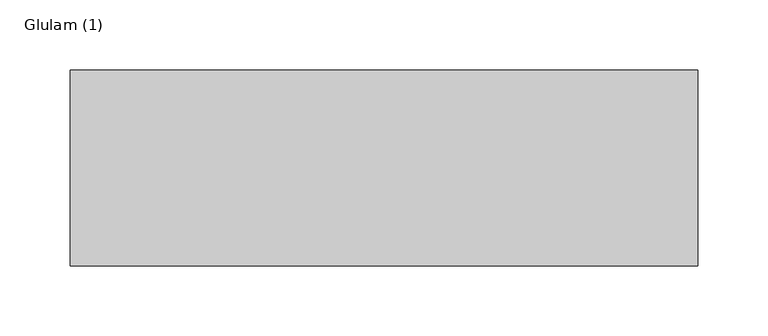
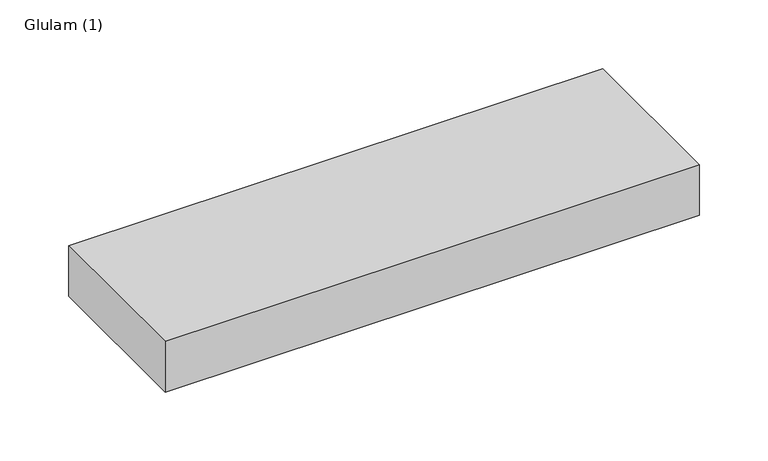
"""IFC4 building model written with IfcOpenShell, lengths in millimetres: beam geometry, Glulam (1)."""

from ifc_helpers import new_model, si_unit, frame, origin, place, context, project, spatial, polyline, outline, extrude, source, transform, mapped, element, save


def glulam_1_3bcc09c7(model_context):
    return source(origin(), model_context, "Body", "SweptSolid", [
        extrude(outline(polyline([(227.0, 70.0), (227.0, -70.0), (-221.0, -70.0), (-221.0, 70.0), (227.0, 70.0)])), frame((0.0, 0.0, -22.5), z_axis=(0.0, 0.0, 1.0), x_axis=(1.0, 0.0, 0.0)), (0.0, 0.0, 1.0), 45.0),
    ])


if __name__ == "__main__":
    model = new_model("IFC4")
    model_context = context("Model", 3, world=origin())
    ifc_project = project(units=[si_unit("LENGTHUNIT", "METRE", prefix="MILLI")], contexts=[model_context])
    site = spatial("IfcSite", under=ifc_project)
    building = spatial("IfcBuilding", under=site)
    placement = place(None, origin())
    glulam_1_shape = glulam_1_3bcc09c7(model_context)
    element("IfcBeam", 1, ObjectType="Glulam (1)", at=placement, inside=building, context=model_context, shape_type="MappedRepresentation", body=[
        mapped(glulam_1_shape, transform((0.0, 0.0, 0.0), x_axis=(1.0, 0.0, 0.0), y_axis=(0.0, 1.0, 0.0), z_axis=(0.0, 0.0, 1.0))),
    ])
    save(model, "model.ifc")
